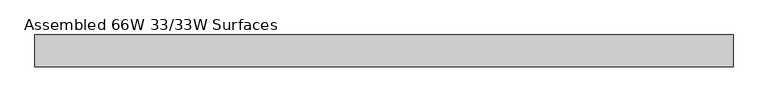
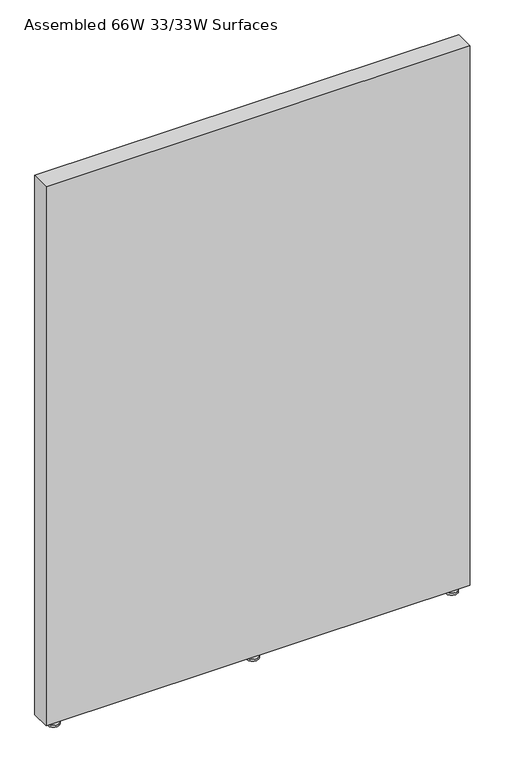
"""IFC4 building model written with IfcOpenShell, lengths in millimetres: furniture geometry, Assembled 66W 33/33W Surfaces."""

from ifc_helpers import new_model, si_unit, frame, origin, place, context, project, spatial, polyline, circle_curve, outline, extrude, source, transform, mapped, element, save
from ifc_brep_helpers import plane_surface, cylinder_surface, advanced_brep


def assembled_66w_33_33w_surfaces_e3be3eff(model_context):
    return source(origin(), model_context, "Body", "SolidModel", [
        advanced_brep(
        [(833.4375136, 50.7999992, 30.1625008), (842.9625, 50.7999992, 30.1625008), (842.9625, 50.7999992, 8.0944096), (833.4375136, 50.7999992, 8.0944096), (838.2000068, 50.7999992, 30.1625008), (814.3875136, 50.7999992, 0.0), (862.0125, 50.7999992, 0.0), (838.2000068, 50.7999992, 0.0), (814.3875136, 50.7999992, 8.0944096), (862.0125, 50.7999992, 8.0944096)],
        [
            (0, 1, circle_curve(frame((838.2000068, 50.7999992, 30.1625008), z_axis=(0.0, 0.0, -1.0), x_axis=(1.0, 0.0, 0.0)), 4.7624932)),
            (1, 2),
            (2, 3, circle_curve(frame((838.2000068, 50.7999992, 8.0944096), z_axis=(0.0, 0.0, 1.0), x_axis=(1.0, 0.0, 0.0)), 4.7624932)),
            (3, 0),
            (1, 0, circle_curve(frame((838.2000068, 50.7999992, 30.1625008), z_axis=(0.0, 0.0, -1.0), x_axis=(1.0, 0.0, 0.0)), 4.7624932)),
            (3, 2, circle_curve(frame((838.2000068, 50.7999992, 8.0944096), z_axis=(0.0, 0.0, 1.0), x_axis=(1.0, 0.0, 0.0)), 4.7624932)),
            (4, 1),
            (0, 4),
            (5, 6, circle_curve(frame((838.2000068, 50.7999992, 0.0), z_axis=(0.0, 0.0, -1.0), x_axis=(1.0, 0.0, 0.0)), 23.8124932)),
            (6, 7),
            (7, 5),
            (6, 5, circle_curve(frame((838.2000068, 50.7999992, 0.0), z_axis=(0.0, 0.0, -1.0), x_axis=(1.0, 0.0, 0.0)), 23.8124932)),
            (8, 9, circle_curve(frame((838.2000068, 50.7999992, 8.0944096), z_axis=(0.0, 0.0, -1.0), x_axis=(1.0, 0.0, 0.0)), 23.8124932)),
            (9, 6),
            (5, 8),
            (9, 8, circle_curve(frame((838.2000068, 50.7999992, 8.0944096), z_axis=(0.0, 0.0, -1.0), x_axis=(1.0, 0.0, 0.0)), 23.8124932)),
            (2, 9),
            (8, 3),
        ],
        [
            cylinder_surface(frame((838.2000068, 50.7999992, 30.1625008), z_axis=(0.0, 0.0, 1.0), x_axis=(1.0, 0.0, 0.0)), 4.7624932),
            plane_surface(frame((838.2000068, 50.7999992, 30.1625008), z_axis=(0.0, 0.0, 1.0), x_axis=(1.0, 0.0, 0.0))),
            plane_surface(frame((838.2000068, 50.7999992, 0.0), z_axis=(0.0, 0.0, -1.0), x_axis=(1.0, 0.0, 0.0))),
            cylinder_surface(frame((838.2000068, 50.7999992, 30.1625008), z_axis=(0.0, 0.0, 1.0), x_axis=(1.0, 0.0, 0.0)), 23.8124932),
            plane_surface(frame((838.2000068, 50.7999992, 8.0944096), z_axis=(0.0, 0.0, 1.0), x_axis=(1.0, 0.0, 0.0))),
        ],
        [
            (0, [[1, 2, 3, 4]]),
            (0, [[5, -4, 6, -2]]),
            (1, [[7, -1, 8]]),
            (1, [[-8, -5, -7]]),
            (2, [[9, 10, 11]]),
            (2, [[12, -11, -10]]),
            (3, [[13, 14, -9, 15]]),
            (3, [[16, -15, -12, -14]]),
            (4, [[-3, 17, -13, 18]]),
            (4, [[-6, -18, -16, -17]]),
        ],
    ),
        advanced_brep(
        [(1601.8500083, 50.7999992, 0.0), (1649.3500159, 50.7999992, 0.0), (1625.6000121, 50.7999992, 0.0), (1601.8500083, 50.7999992, 8.0944096), (1649.3500159, 50.7999992, 8.0944096), (1620.8375121, 50.7999992, 8.0944096), (1630.3625121, 50.7999992, 8.0944096), (1620.8375121, 50.7999992, 30.1625008), (1630.3625121, 50.7999992, 30.1625008), (1625.6000121, 50.7999992, 30.1625008)],
        [
            (0, 1, circle_curve(frame((1625.6000121, 50.7999992, 0.0), z_axis=(0.0, 0.0, -1.0), x_axis=(1.0, 0.0, 0.0)), 23.7500038)),
            (1, 2),
            (2, 0),
            (1, 0, circle_curve(frame((1625.6000121, 50.7999992, 0.0), z_axis=(0.0, 0.0, -1.0), x_axis=(1.0, 0.0, 0.0)), 23.7500038)),
            (3, 4, circle_curve(frame((1625.6000121, 50.7999992, 8.0944096), z_axis=(0.0, 0.0, -1.0), x_axis=(1.0, 0.0, 0.0)), 23.7500038)),
            (4, 1),
            (0, 3),
            (4, 3, circle_curve(frame((1625.6000121, 50.7999992, 8.0944096), z_axis=(0.0, 0.0, -1.0), x_axis=(1.0, 0.0, 0.0)), 23.7500038)),
            (5, 6, circle_curve(frame((1625.6000121, 50.7999992, 8.0944096), z_axis=(0.0, 0.0, -1.0), x_axis=(1.0, 0.0, 0.0)), 4.7625)),
            (6, 4),
            (3, 5),
            (6, 5, circle_curve(frame((1625.6000121, 50.7999992, 8.0944096), z_axis=(0.0, 0.0, -1.0), x_axis=(1.0, 0.0, 0.0)), 4.7625)),
            (7, 8, circle_curve(frame((1625.6000121, 50.7999992, 30.1625008), z_axis=(0.0, 0.0, -1.0), x_axis=(1.0, 0.0, 0.0)), 4.7625)),
            (8, 6),
            (5, 7),
            (8, 7, circle_curve(frame((1625.6000121, 50.7999992, 30.1625008), z_axis=(0.0, 0.0, -1.0), x_axis=(1.0, 0.0, 0.0)), 4.7625)),
            (9, 8),
            (7, 9),
        ],
        [
            plane_surface(frame((1625.6000121, 50.7999992, 0.0), z_axis=(0.0, 0.0, -1.0), x_axis=(1.0, 0.0, 0.0))),
            cylinder_surface(frame((1625.6000121, 50.7999992, 30.1625008), z_axis=(0.0, 0.0, 1.0), x_axis=(1.0, 0.0, 0.0)), 23.7500038),
            plane_surface(frame((1625.6000121, 50.7999992, 8.0944096), z_axis=(0.0, 0.0, 1.0), x_axis=(1.0, 0.0, 0.0))),
            cylinder_surface(frame((1625.6000121, 50.7999992, 30.1625008), z_axis=(0.0, 0.0, 1.0), x_axis=(1.0, 0.0, 0.0)), 4.7625),
            plane_surface(frame((1625.6000121, 50.7999992, 30.1625008), z_axis=(0.0, 0.0, 1.0), x_axis=(1.0, 0.0, 0.0))),
        ],
        [
            (0, [[1, 2, 3]]),
            (0, [[4, -3, -2]]),
            (1, [[5, 6, -1, 7]]),
            (1, [[8, -7, -4, -6]]),
            (2, [[9, 10, -5, 11]]),
            (2, [[12, -11, -8, -10]]),
            (3, [[13, 14, -9, 15]]),
            (3, [[16, -15, -12, -14]]),
            (4, [[17, -13, 18]]),
            (4, [[-18, -16, -17]]),
        ],
    ),
        advanced_brep(
        [(46.0375015, 50.7999992, 30.1625008), (55.5625015, 50.7999992, 30.1625008), (55.5625015, 50.7999992, 8.0944096), (46.0375015, 50.7999992, 8.0944096), (50.8000015, 50.7999992, 30.1625008), (26.9875015, 50.7999992, 0.0), (74.6125015, 50.7999992, 0.0), (50.8000015, 50.7999992, 0.0), (26.9875015, 50.7999992, 8.0944096), (74.6125015, 50.7999992, 8.0944096)],
        [
            (0, 1, circle_curve(frame((50.8000015, 50.7999992, 30.1625008), z_axis=(0.0, 0.0, -1.0), x_axis=(1.0, 0.0, 0.0)), 4.7625)),
            (1, 2),
            (2, 3, circle_curve(frame((50.8000015, 50.7999992, 8.0944096), z_axis=(0.0, 0.0, 1.0), x_axis=(1.0, 0.0, 0.0)), 4.7625)),
            (3, 0),
            (1, 0, circle_curve(frame((50.8000015, 50.7999992, 30.1625008), z_axis=(0.0, 0.0, -1.0), x_axis=(1.0, 0.0, 0.0)), 4.7625)),
            (3, 2, circle_curve(frame((50.8000015, 50.7999992, 8.0944096), z_axis=(0.0, 0.0, 1.0), x_axis=(1.0, 0.0, 0.0)), 4.7625)),
            (4, 1),
            (0, 4),
            (5, 6, circle_curve(frame((50.8000015, 50.7999992, 0.0), z_axis=(0.0, 0.0, -1.0), x_axis=(1.0, 0.0, 0.0)), 23.8125)),
            (6, 7),
            (7, 5),
            (6, 5, circle_curve(frame((50.8000015, 50.7999992, 0.0), z_axis=(0.0, 0.0, -1.0), x_axis=(1.0, 0.0, 0.0)), 23.8125)),
            (8, 9, circle_curve(frame((50.8000015, 50.7999992, 8.0944096), z_axis=(0.0, 0.0, -1.0), x_axis=(1.0, 0.0, 0.0)), 23.8125)),
            (9, 6),
            (5, 8),
            (9, 8, circle_curve(frame((50.8000015, 50.7999992, 8.0944096), z_axis=(0.0, 0.0, -1.0), x_axis=(1.0, 0.0, 0.0)), 23.8125)),
            (2, 9),
            (8, 3),
        ],
        [
            cylinder_surface(frame((50.8000015, 50.7999992, 30.1625008), z_axis=(0.0, 0.0, 1.0), x_axis=(1.0, 0.0, 0.0)), 4.7625),
            plane_surface(frame((50.8000015, 50.7999992, 30.1625008), z_axis=(0.0, 0.0, 1.0), x_axis=(1.0, 0.0, 0.0))),
            plane_surface(frame((50.8000015, 50.7999992, 0.0), z_axis=(0.0, 0.0, -1.0), x_axis=(1.0, 0.0, 0.0))),
            cylinder_surface(frame((50.8000015, 50.7999992, 30.1625008), z_axis=(0.0, 0.0, 1.0), x_axis=(1.0, 0.0, 0.0)), 23.8125),
            plane_surface(frame((50.8000015, 50.7999992, 8.0944096), z_axis=(0.0, 0.0, 1.0), x_axis=(1.0, 0.0, 0.0))),
        ],
        [
            (0, [[1, 2, 3, 4]]),
            (0, [[5, -4, 6, -2]]),
            (1, [[7, -1, 8]]),
            (1, [[-8, -5, -7]]),
            (2, [[9, 10, 11]]),
            (2, [[12, -11, -10]]),
            (3, [[13, 14, -9, 15]]),
            (3, [[16, -15, -12, -14]]),
            (4, [[-3, 17, -13, 18]]),
            (4, [[-6, -18, -16, -17]]),
        ],
    ),
        extrude(outline(polyline([(0.0, 12.7000004), (0.0, 88.899997), (1676.4, 88.899997), (1676.4, 12.7000004), (0.0, 12.7000004)])), frame((0.0, 0.0, 30.1625008), z_axis=(0.0, 0.0, 1.0), x_axis=(1.0, 0.0, 0.0)), (0.0, 0.0, 1.0), 2252.6625477),
    ])


if __name__ == "__main__":
    model = new_model("IFC4")
    model_context = context("Model", 3, world=origin())
    ifc_project = project(units=[si_unit("LENGTHUNIT", "METRE", prefix="MILLI")], contexts=[model_context])
    site = spatial("IfcSite", under=ifc_project)
    building = spatial("IfcBuilding", under=site)
    placement = place(None, origin())
    assembled_66w_33_33w_surfaces_shape = assembled_66w_33_33w_surfaces_e3be3eff(model_context)
    element("IfcFurniture", 1, ObjectType="Assembled 66W 33/33W Surfaces", at=placement, inside=building, context=model_context, shape_type="MappedRepresentation", body=[
        mapped(assembled_66w_33_33w_surfaces_shape, transform((0.0, 0.0, 0.0), x_axis=(1.0, 0.0, 0.0), y_axis=(0.0, 1.0, 0.0), z_axis=(0.0, 0.0, 1.0))),
    ])
    save(model, "model.ifc")
